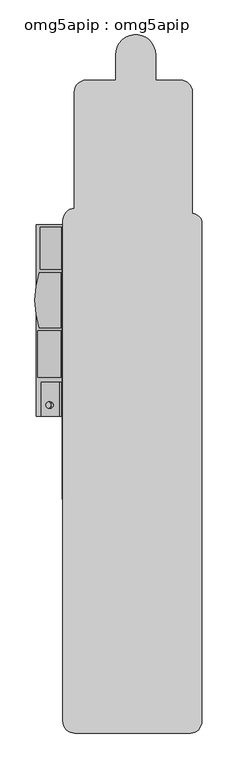
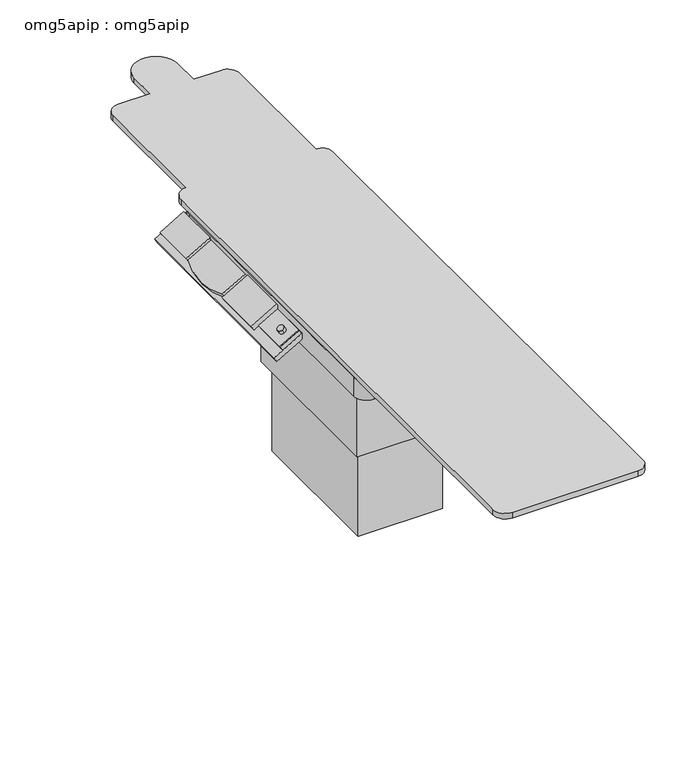
"""IFC4 building model written with IfcOpenShell, lengths in millimetres: proxy geometry, omg5apip : omg5apip."""

from ifc_helpers import new_model, si_unit, point, frame, frame_2d, origin, origin_with_axes, place, context, project, spatial, polyline, circle_curve, trimmed, segment, composite_curve, outline, extrude, source, transform, mapped, element, save


def omg5apip_omg5apip_894ebc68(model_context):
    return source(origin(), model_context, "Body", "SweptSolid", [
        extrude(outline(composite_curve([segment(trimmed(circle_curve(frame_2d((0.0, -15.0)), 15.0), [point((0.0, -30.0))], [point((0.0, 0.0))], False, "CARTESIAN"), True, "CONTINUOUS"), segment(trimmed(circle_curve(frame_2d((0.0, -15.0)), 15.0), [point((0.0, 0.0))], [point((0.0, -30.0))], False, "CARTESIAN"), True, "CONTINUOUS")], self_intersect=False)), frame((-407.5323735, -621.3644668, 895.7582718), z_axis=(-0.49999999999999906, 0.0, 0.8660254037844392), x_axis=(0.8660254037844392, 0.0, 0.49999999999999906)), (0.0, 0.0, 1.0), 18.4275738),
        extrude(outline(composite_curve([segment(polyline([(260.0, 0.0), (260.0, -116.1245404)]), True, "CONTINUOUS"), segment(trimmed(circle_curve(frame_2d((129.633848, 213.7598038)), 354.7097604), [point((260.0, -116.1245404))], [point((0.0, -116.4129989))], False, "CARTESIAN"), True, "CONTINUOUS"), segment(polyline([(0.0, -116.4129989), (0.0, 0.0), (260.0, 0.0)]), True, "CONTINUOUS")], self_intersect=False)), frame((-348.3608277, -10.4977104, 900.8756817), z_axis=(-0.4999999999999841, 0.0, 0.8660254037844478), x_axis=(0.0, -1.0, 0.0)), (0.0, 0.0, 1.0), 23.291288),
        extrude(outline(polyline([(0.0, -128.9784104), (0.0, 0.0), (220.674979, 0.0), (220.674979, -128.9784104), (0.0, -128.9784104)])), frame((-345.665113, -284.7271322, 902.4320534), z_axis=(-0.49999999999999967, 0.0, 0.8660254037844388), x_axis=(0.0, -1.0, 0.0)), (0.0, 0.0, 1.0), 23.291288),
        extrude(outline(polyline([(0.0, -119.7997727), (0.0, 0.0), (199.0410011, 0.0), (199.0410011, -119.7997727), (0.0, -119.7997727)])), frame((-342.3267661, 207.114759, 898.108084), z_axis=(-0.4999999999999997, 0.0, 0.8660254037844388), x_axis=(0.0, -1.0, 0.0)), (0.0, 0.0, 1.0), 23.291288),
        extrude(outline(polyline([(0.0, -96.3006633), (0.0, 0.0), (160.425159, 0.0), (160.425159, -96.3006633), (0.0, -96.3006633)])), frame((-365.7456175, -529.3019732, 915.7207866), z_axis=(-0.4999999999999993, 0.0, 0.866025403784439), x_axis=(0.0, -1.0, 0.0)), (0.0, 0.0, 1.0), 3.6053331),
        extrude(outline(polyline([(0.0, -158.0227461), (0.0, 0.0), (906.8418912, 0.0), (906.8418912, -158.0227461), (0.0, -158.0227461)])), frame((-327.0574363, 217.114759, 884.9189566), z_axis=(-0.5000000000000003, 0.0, 0.8660254037844386), x_axis=(0.0, -1.0, 0.0)), (0.0, 0.0, 1.0), 24.0190437),
        extrude(outline(polyline([(-292.8538003, -541.1159247), (192.1064379, -541.1159247), (192.1064379, -954.7549015), (-292.8538003, -954.7549015), (-292.8538003, -541.1159247)])), frame((0.0, 0.0, 800.4295168), z_axis=(0.0, 0.0, 1.0), x_axis=(1.0, 0.0, 0.0)), (0.0, 0.0, 1.0), 42.4962556),
        extrude(outline(polyline([(0.0, -96.3006633), (0.0, 0.0), (160.425159, 0.0), (160.425159, -96.3006633), (0.0, -96.3006633)])), frame((-354.9713011, -529.3019732, 897.0591232), z_axis=(-0.5000000000000003, 0.0, 0.8660254037844386), x_axis=(0.0, -1.0, 0.0)), (0.0, 0.0, 1.0), 21.5486328),
        extrude(outline(polyline([(-199.8012651, -196.2348049), (170.1987349, -196.2348049), (170.1987349, -850.5676219), (-199.8012651, -850.5676219), (-199.8012651, -196.2348049)])), origin_with_axes(), (0.0, 0.0, 1.0), 393.6417109),
        extrude(outline(composite_curve([segment(trimmed(circle_curve(frame_2d((254.231639, 174.7915875)), 53.9824352), [point((254.231639, 228.7740228))], [point((308.2140742, 174.7915875))], False, "CARTESIAN"), True, "CONTINUOUS"), segment(polyline([(308.2140742, 174.7915875), (308.2140742, -1081.7582343)]), True, "CONTINUOUS"), segment(trimmed(circle_curve(frame_2d((255.3384459, -1083.18447)), 52.89486), [point((308.2140742, -1081.7582343))], [point((255.3384459, -1136.07933))], False, "CARTESIAN"), True, "CONTINUOUS"), segment(polyline([(255.3384459, -1136.07933), (-295.6676857, -1136.07933)]), True, "CONTINUOUS"), segment(trimmed(circle_curve(frame_2d((-295.6676857, -1079.4725733)), 56.6067567), [point((-295.6676857, -1136.07933))], [point((-352.2744423, -1079.4725733))], False, "CARTESIAN"), True, "CONTINUOUS"), segment(polyline([(-352.2744423, -1079.4725733), (-352.2744423, 169.3533807)]), True, "CONTINUOUS"), segment(trimmed(circle_curve(frame_2d((-292.8538003, 169.3533807)), 59.420642), [point((-352.2744423, 169.3533807))], [point((-292.8538003, 228.7740228))], False, "CARTESIAN"), True, "CONTINUOUS"), segment(polyline([(-292.8538003, 228.7740228), (254.231639, 228.7740228)]), True, "CONTINUOUS")], self_intersect=False)), frame((0.0, 0.0, 842.9257723), z_axis=(0.0, 0.0, 1.0), x_axis=(1.0, 0.0, 0.0)), (0.0, 0.0, 1.0), 87.0565384),
        extrude(outline(polyline([(-221.7859258, -150.5676219), (192.1064379, -150.5676219), (192.1064379, -882.1254246), (-221.7859258, -882.1254246), (-221.7859258, -150.5676219)])), frame((0.0, 0.0, 393.6417109), z_axis=(0.0, 0.0, 1.0), x_axis=(1.0, 0.0, 0.0)), (0.0, 0.0, 1.0), 406.7878058),
        extrude(outline(composite_curve([segment(trimmed(circle_curve(frame_2d((-5.0, 1022.5)), 95.0), [point((-100.0, 1022.5))], [point((90.0, 1022.5))], False, "CARTESIAN"), True, "CONTINUOUS"), segment(polyline([(90.0, 1022.5), (90.0, 902.5), (208.3649418, 902.5)]), True, "CONTINUOUS"), segment(trimmed(circle_curve(frame_2d((208.3649418, 847.6508676)), 54.8491324), [point((208.3649418, 902.5))], [point((263.2140742, 847.6508676))], False, "CARTESIAN"), True, "CONTINUOUS"), segment(polyline([(263.2140742, 847.6508676), (263.2140742, 269.1891994)]), True, "CONTINUOUS"), segment(trimmed(circle_curve(frame_2d((265.8592332, 226.9170374)), 42.3548409), [point((263.2140742, 269.1891994))], [point((308.2140742, 226.9170374))], False, "CARTESIAN"), True, "CONTINUOUS"), segment(polyline([(308.2140742, 226.9170374), (308.2140742, -2135.5789042)]), True, "CONTINUOUS"), segment(trimmed(circle_curve(frame_2d((255.3384459, -2137.00514)), 52.89486), [point((308.2140742, -2135.5789042))], [point((255.3384459, -2189.9))], False, "CARTESIAN"), True, "CONTINUOUS"), segment(polyline([(255.3384459, -2189.9), (-292.6116191, -2189.9)]), True, "CONTINUOUS"), segment(trimmed(circle_curve(frame_2d((-292.6116191, -2133.2932433)), 56.6067567), [point((-292.6116191, -2189.9))], [point((-349.2183758, -2133.2932433))], False, "CARTESIAN"), True, "CONTINUOUS"), segment(polyline([(-349.2183758, -2133.2932433), (-349.2183758, 236.7201437)]), True, "CONTINUOUS"), segment(trimmed(circle_curve(frame_2d((-289.7977338, 236.7201437)), 59.420642), [point((-349.2183758, 236.7201437))], [point((-295.0, 295.912619))], False, "CARTESIAN"), True, "CONTINUOUS"), segment(polyline([(-295.0, 295.912619), (-295.0, 847.5)]), True, "CONTINUOUS"), segment(trimmed(circle_curve(frame_2d((-240.0, 847.5)), 55.0), [point((-295.0, 847.5))], [point((-240.0, 902.5))], False, "CARTESIAN"), True, "CONTINUOUS"), segment(polyline([(-240.0, 902.5), (-100.0, 902.5), (-100.0, 1022.5)]), True, "CONTINUOUS")], self_intersect=False)), frame((0.0, 0.0, 929.9823107), z_axis=(0.0, 0.0, 1.0), x_axis=(1.0, 0.0, 0.0)), (0.0, 0.0, 1.0), 25.0255018),
    ])


if __name__ == "__main__":
    model = new_model("IFC4")
    model_context = context("Model", 3, world=origin())
    ifc_project = project(units=[si_unit("LENGTHUNIT", "METRE", prefix="MILLI")], contexts=[model_context])
    site = spatial("IfcSite", under=ifc_project)
    building = spatial("IfcBuilding", under=site)
    placement = place(None, origin())
    omg5apip_omg5apip_shape = omg5apip_omg5apip_894ebc68(model_context)
    element("IfcBuildingElementProxy", 1, Name="omg5apip : omg5apip", ObjectType="omg5apip : omg5apip", at=placement, inside=building, context=model_context, shape_type="MappedRepresentation", body=[
        mapped(omg5apip_omg5apip_shape, transform((0.0, 0.0, 0.0), x_axis=(1.0, 0.0, 0.0), y_axis=(0.0, 1.0, 0.0), z_axis=(0.0, 0.0, 1.0))),
    ])
    save(model, "model.ifc")
